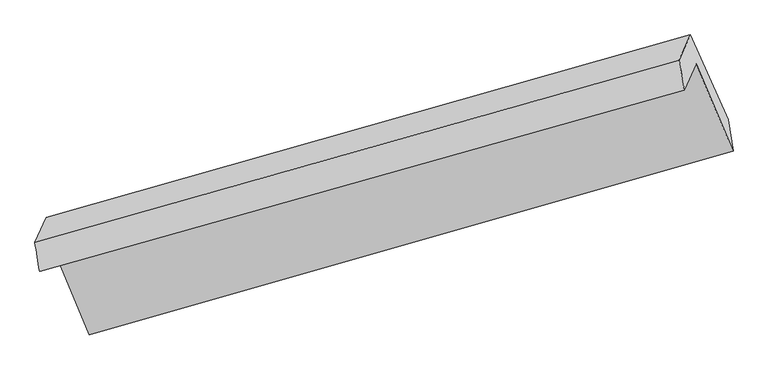
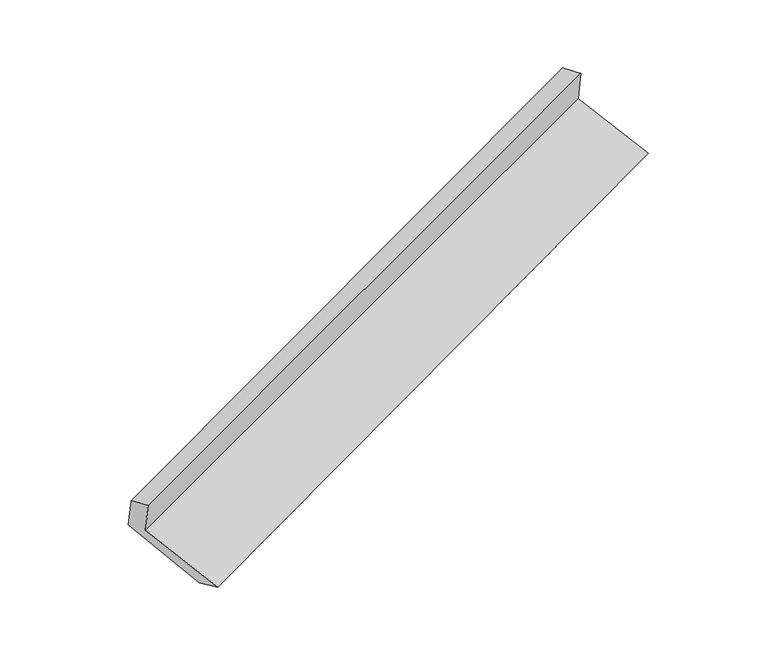
"""IFC4 building model written with IfcOpenShell, lengths in millimetres: proxy geometry."""

from ifc_helpers import new_model, si_unit, frame, origin, place, context, project, spatial, source, transform, mapped, element, save
from ifc_brep_helpers import plane_surface, spline_surface, advanced_brep


def generic_models_30129435(model_context):
    return source(origin(), model_context, "Body", "AdvancedBrep", [
        advanced_brep(
        [(-5125.6440802, -2128.4119476, 1489.7947252), (-5045.7695158, -1951.3957021, 1133.1016772), (-755.7448728, -745.4515443, 2692.8226527), (-835.5196465, -922.2466361, 3049.0700694), (-5156.2869059, -1936.2434531, 1423.4758793), (-869.8840852, -721.4590693, 2986.1952313), (-5080.5114183, -1768.3114911, 1085.0879353), (-794.0427231, -553.3811177, 2647.5131138), (-4823.8315044, -2342.5365421, 831.7495275), (-541.1502966, -1119.1330859, 2397.9128872), (-4793.2636606, -2551.7380386, 911.5786865), (-510.5824528, -1328.3345824, 2477.7420462)],
        [
            (0, 1),
            (1, 2),
            (2, 3),
            (3, 0),
            (4, 0),
            (3, 5),
            (5, 4),
            (6, 4),
            (5, 7),
            (7, 6),
            (8, 6),
            (7, 9),
            (9, 8),
            (10, 8),
            (9, 11),
            (11, 10),
            (1, 10),
            (11, 2),
        ],
        [
            plane_surface(frame((-5085.706798, -2039.9038248, 1311.4482012), z_axis=(0.36831545489754247, -0.8629971603641583, -0.34580287287270434), x_axis=(0.19667058748279517, 0.43585701251938025, -0.8782649626717742))),
            spline_surface(1, 1, [[(-5156.2869059, -1936.2434531, 1423.4758793), (-869.8840852, -721.4590693, 2986.1952313)], [(-5125.6440802, -2128.4119476, 1489.7947252), (-835.5196465, -922.2466361, 3049.0700694)]], [2, 2], [2, 2], [0.0, 1.0], [0.0, 1.0]),
            plane_surface(frame((-5118.3991621, -1852.2774721, 1254.2819073), z_axis=(-0.37023919427444185, 0.8624541344770261, 0.34510260060813236), x_axis=(-0.19667058748279515, -0.4358570125193806, 0.8782649626717741))),
            plane_surface(frame((-4952.1714614, -2055.4240166, 958.4187314), z_axis=(0.18410186062686862, 0.464465988637756, -0.8662435282947152), x_axis=(-0.37853645882195164, 0.8468333731828357, 0.37360860189015593))),
            plane_surface(frame((-4808.5475825, -2447.1372903, 871.664107), z_axis=(0.39860741190343785, -0.2755515697044929, -0.8747476571040549), x_axis=(-0.13526077376454276, 0.9257033806629751, -0.3532389759210559))),
            plane_surface(frame((-4919.5165882, -2251.5668703, 1022.3401819), z_axis=(-0.2060460129099405, -0.41385727893594243, 0.8867170874837443), x_axis=(0.3670536558974128, -0.8726841176560994, -0.322015596645782))),
            plane_surface(frame((-717.8206795, -898.3343393, 2708.5426668), z_axis=(0.9070924177040958, 0.2591227189239335, 0.331720910226061), x_axis=(-0.37853645882195164, 0.8468333731828357, 0.37360860189015593))),
            plane_surface(frame((-5004.2178475, -2113.1061958, 1145.7980718), z_axis=(-0.907092417704112, -0.2591227189238952, -0.33172091022604694), x_axis=(-0.19667058748279648, -0.43585701251938036, 0.878264962671774))),
        ],
        [
            (0, [[1, 2, 3, 4]]),
            (1, [[5, -4, 6, 7]]),
            (2, [[8, -7, 9, 10]]),
            (3, [[11, -10, 12, 13]]),
            (4, [[14, -13, 15, 16]]),
            (5, [[17, -16, 18, -2]]),
            (6, [[-12, -9, -6, -3, -18, -15]]),
            (7, [[-1, -5, -8, -11, -14, -17]]),
        ],
    ),
    ])


if __name__ == "__main__":
    model = new_model("IFC4")
    model_context = context("Model", 3, world=origin())
    ifc_project = project(units=[si_unit("LENGTHUNIT", "METRE", prefix="MILLI")], contexts=[model_context])
    site = spatial("IfcSite", under=ifc_project)
    building = spatial("IfcBuilding", under=site)
    placement = place(None, origin())
    generic_models_shape = generic_models_30129435(model_context)
    element("IfcBuildingElementProxy", 1, Name="Generic Models", at=placement, inside=building, context=model_context, shape_type="MappedRepresentation", body=[
        mapped(generic_models_shape, transform((0.0, 0.0, 0.0), x_axis=(1.0, 0.0, 0.0), y_axis=(0.0, 1.0, 0.0), z_axis=(0.0, 0.0, 1.0))),
    ])
    save(model, "model.ifc")
